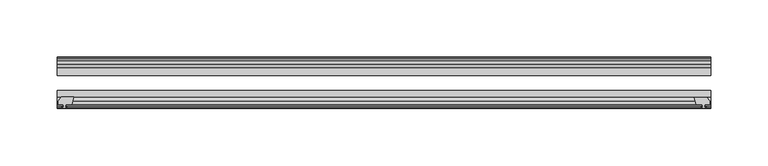
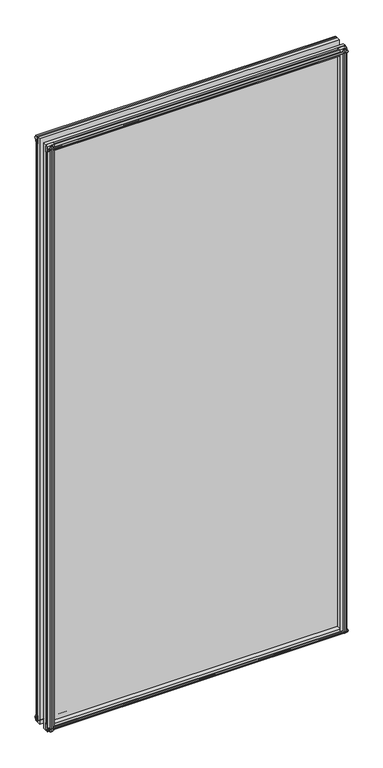
"""IFC4 building model written with IfcOpenShell, lengths in millimetres: plate geometry."""

from ifc_helpers import new_model, si_unit, frame, origin, place, context, project, spatial, polyline, outline, extrude, source, transform, mapped, element, save


def plate_3d99fb95(model_context):
    return source(origin(), model_context, "Body", "SweptSolid", [
        extrude(outline(polyline([(-271.3322819, -83.1453125), (-273.05, -89.4953125), (-278.257, -89.4953125), (-278.638, -91.8755095), (-277.2224709, -91.4155762), (-277.2224709, -92.2167904), (-279.4, -92.9243125), (-281.577529, -92.2167904), (-281.577529, -91.4155762), (-280.162, -91.8755095), (-280.543, -89.4953125), (-284.988, -89.4953125), (-284.988, -86.5489125), (-282.1536578, -83.1453125), (-271.3322819, -83.1453125)])), frame((0.0, 0.0, -12.4587), z_axis=(0.0, 0.0, 1.0), x_axis=(1.0, 0.0, 0.0)), (0.0, 0.0, 1.0), 1180.6174),
        extrude(outline(polyline([(271.3538926, -83.2252021), (282.1752685, -83.2252021), (285.0096107, -86.6288021), (285.0096107, -89.5752021), (280.5646107, -89.5752021), (280.1836107, -91.9553991), (281.5991397, -91.4954658), (281.5991397, -92.29668), (279.4216107, -93.0042021), (277.2440816, -92.29668), (277.2440816, -91.4954658), (278.6596107, -91.9553991), (278.2786107, -89.5752021), (273.0716107, -89.5752021), (271.3538926, -83.2252021)])), frame((0.0, 0.0, -9.0482291), z_axis=(0.0, 0.0, 1.0), x_axis=(1.0, 0.0, 0.0)), (0.0, 0.0, 1.0), 1177.2069291),
        extrude(outline(polyline([(-280.6827, -49.0151155), (-282.098229, -49.4750488), (-282.098229, -48.6738346), (-279.9207, -47.9663125), (-277.7431709, -48.6738346), (-277.7431709, -49.4750488), (-279.1587, -49.0151155), (-278.7777, -51.3953125), (-273.5707, -51.3953125), (-271.8529819, -57.7453125), (-282.6743578, -57.7453125), (-285.5087, -54.3417125), (-285.5087, -51.3953125), (-281.0637, -51.3953125), (-280.6827, -49.0151155)])), frame((0.0, 0.0, -12.4587), z_axis=(0.0, 0.0, 1.0), x_axis=(1.0, 0.0, 0.0)), (0.0, 0.0, 1.0), 1174.2674),
        extrude(outline(polyline([(271.8529819, -57.7453125), (273.5707, -51.3953125), (278.7777, -51.3953125), (279.1587, -49.0151155), (277.7431709, -49.4750488), (277.7431709, -48.6738346), (279.9207, -47.9663125), (282.098229, -48.6738346), (282.098229, -49.4750488), (280.6827, -49.0151155), (281.0637, -51.3953125), (285.5087, -51.3953125), (285.5087, -54.3417125), (282.6743578, -57.7453125), (271.8529819, -57.7453125)])), frame((0.0, 0.0, -12.4587), z_axis=(0.0, 0.0, 1.0), x_axis=(1.0, 0.0, 0.0)), (0.0, 0.0, 1.0), 1174.2674),
        extrude(outline(polyline([(-48.6738346, -4.6931709), (-47.9663125, -6.8707), (-48.6738346, -9.0482291), (-49.4750488, -9.0482291), (-49.0151155, -7.6327), (-51.3953125, -8.0137), (-51.3953125, -12.4587), (-54.3417125, -12.4587), (-57.7453125, -9.6243578), (-57.7453125, 1.1970181), (-51.3953125, -0.5207), (-51.3953125, -5.7277), (-49.0151155, -6.1087), (-49.4750488, -4.6931709), (-48.6738346, -4.6931709)])), frame((-285.75, 0.0, 0.0), z_axis=(1.0, 0.0, 0.0), x_axis=(0.0, 1.0, 0.0)), (0.0, 0.0, 1.0), 571.5),
        extrude(outline(polyline([(-83.1453125, 1.7177181), (-83.1453125, -9.1036578), (-86.5489125, -11.938), (-89.4953125, -11.938), (-89.4953125, -7.493), (-91.8755095, -7.112), (-91.4155762, -8.5275291), (-92.2167904, -8.5275291), (-92.9243125, -6.35), (-92.2167904, -4.1724709), (-91.4155762, -4.1724709), (-91.8755095, -5.588), (-89.4953125, -5.207), (-89.4953125, 0.0), (-83.1453125, 1.7177181)])), frame((-285.75, 0.0, 0.0), z_axis=(1.0, 0.0, 0.0), x_axis=(0.0, 1.0, 0.0)), (0.0, 0.0, 1.0), 571.5),
        extrude(outline(polyline([(-49.0151155, 1163.3327), (-49.4750488, 1164.7482291), (-48.6738346, 1164.7482291), (-47.9663125, 1162.5707), (-48.6738346, 1160.393171), (-49.4750488, 1160.393171), (-49.0151155, 1161.8087), (-51.3953125, 1161.4277), (-51.3953125, 1156.2207), (-57.7453125, 1154.5029819), (-57.7453125, 1165.3243578), (-54.3417125, 1168.1587), (-51.3953125, 1168.1587), (-51.3953125, 1163.7137), (-49.0151155, 1163.3327)])), frame((-285.75, 0.0, 0.0), z_axis=(1.0, 0.0, 0.0), x_axis=(0.0, 1.0, 0.0)), (0.0, 0.0, 1.0), 571.5),
        extrude(outline(polyline([(-89.4953125, 1167.638), (-86.5489125, 1167.638), (-83.1453125, 1164.8036578), (-83.1453125, 1153.9822819), (-89.4953125, 1155.7), (-89.4953125, 1160.907), (-91.8755095, 1161.288), (-91.4155762, 1159.872471), (-92.2167904, 1159.872471), (-92.9243125, 1162.05), (-92.2167904, 1164.2275291), (-91.4155762, 1164.2275291), (-91.8755095, 1162.812), (-89.4953125, 1163.193), (-89.4953125, 1167.638)])), frame((-285.75, 0.0, 0.0), z_axis=(1.0, 0.0, 0.0), x_axis=(0.0, 1.0, 0.0)), (0.0, 0.0, 1.0), 571.5),
        extrude(outline(polyline([(-285.75, -57.7453125), (285.75, -57.7453125), (285.75, -64.0953125), (-285.75, -64.0953125), (-285.75, -57.7453125)])), frame((0.0, 0.0, -12.7), z_axis=(0.0, 0.0, 1.0), x_axis=(1.0, 0.0, 0.0)), (0.0, 0.0, 1.0), 1181.1),
        extrude(outline(polyline([(-285.75, -77.1178925), (285.75, -77.1178925), (285.75, -83.1453125), (-285.75, -83.1453125), (-285.75, -77.1178925)])), frame((0.0, 0.0, -12.7), z_axis=(0.0, 0.0, 1.0), x_axis=(1.0, 0.0, 0.0)), (0.0, 0.0, 1.0), 1181.1),
    ])


if __name__ == "__main__":
    model = new_model("IFC4")
    model_context = context("Model", 3, world=origin())
    ifc_project = project(units=[si_unit("LENGTHUNIT", "METRE", prefix="MILLI")], contexts=[model_context])
    site = spatial("IfcSite", under=ifc_project)
    building = spatial("IfcBuilding", under=site)
    placement = place(None, origin())
    plate_shape = plate_3d99fb95(model_context)
    element("IfcPlate", 1, at=placement, inside=building, context=model_context, shape_type="MappedRepresentation", body=[
        mapped(plate_shape, transform((0.0, 0.0, 0.0), x_axis=(1.0, 0.0, 0.0), y_axis=(0.0, 1.0, 0.0), z_axis=(0.0, 0.0, 1.0))),
    ])
    save(model, "model.ifc")
